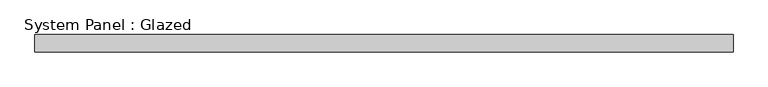
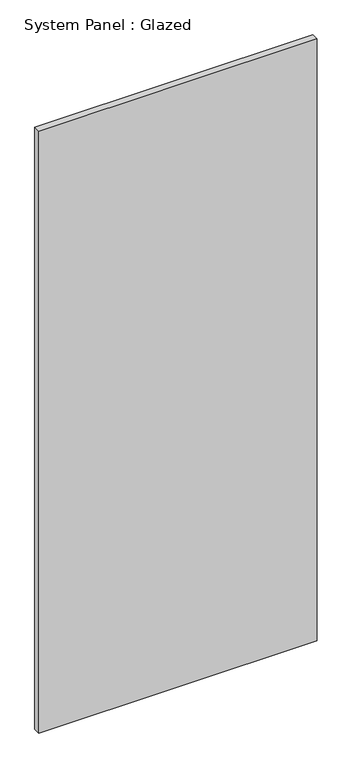
"""IFC4 building model written with IfcOpenShell, lengths in millimetres: plate geometry, System Panel : Glazed."""

from ifc_helpers import new_model, si_unit, origin, origin_with_axes, place, context, project, spatial, polyline, outline, extrude, source, transform, mapped, element, save


def system_panel_glazed_72a2791e(model_context):
    return source(origin(), model_context, "Body", "SweptSolid", [
        extrude(outline(polyline([(518.10746, -12.7), (-518.10746, -12.7), (-518.10746, 12.7), (518.10746, 12.7), (518.10746, -12.7)])), origin_with_axes(), (0.0, 0.0, 1.0), 2368.55),
    ])


if __name__ == "__main__":
    model = new_model("IFC4")
    model_context = context("Model", 3, world=origin())
    ifc_project = project(units=[si_unit("LENGTHUNIT", "METRE", prefix="MILLI")], contexts=[model_context])
    site = spatial("IfcSite", under=ifc_project)
    building = spatial("IfcBuilding", under=site)
    placement = place(None, origin())
    system_panel_glazed_shape = system_panel_glazed_72a2791e(model_context)
    element("IfcPlate", 1, ObjectType="System Panel : Glazed", at=placement, inside=building, context=model_context, shape_type="MappedRepresentation", body=[
        mapped(system_panel_glazed_shape, transform((0.0, 0.0, 0.0), x_axis=(1.0, 0.0, 0.0), y_axis=(0.0, 1.0, 0.0), z_axis=(0.0, 0.0, 1.0))),
    ])
    save(model, "model.ifc")
